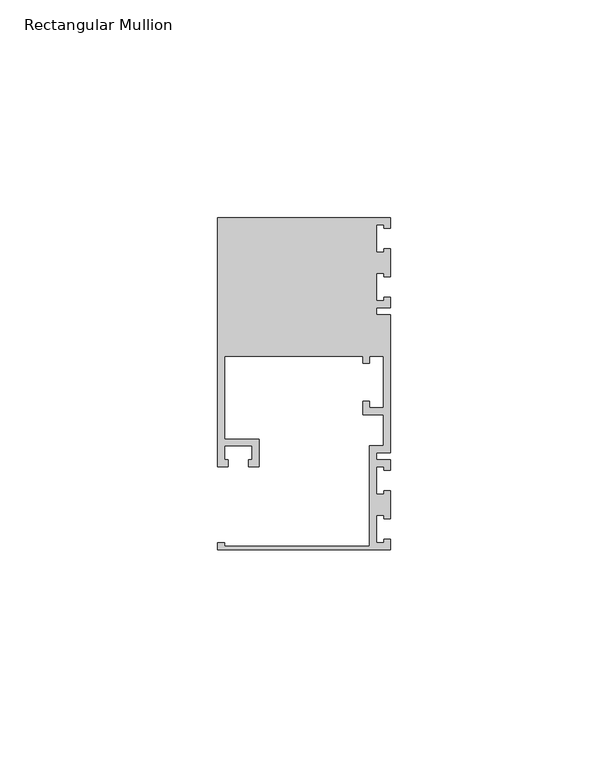
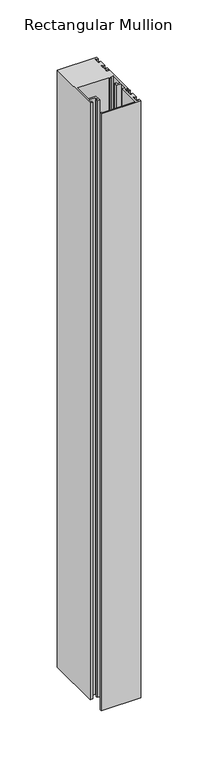
"""IFC4 building model written with IfcOpenShell, lengths in millimetres: member geometry, Rectangular Mullion."""

from ifc_helpers import new_model, si_unit, frame, origin, place, context, project, spatial, polyline, outline, extrude, source, transform, mapped, element, save


def rectangular_mullion_539f9032(model_context):
    return source(origin(), model_context, "Body", "SweptSolid", [
        extrude(outline(polyline([(0.0, -38.1), (-39.6875, -38.1), (-39.6875, -36.5125), (-38.1, -36.5125), (-38.1, -37.30625), (-4.7625, -37.30625), (-4.7625, -14.2875), (-1.5875, -14.2875), (-1.5875, -7.14375), (-6.35, -7.14375), (-6.35, -3.96875), (-4.7625, -3.96875), (-4.7625, -5.55625), (-1.5875, -5.55625), (-1.5875, 6.35), (-4.7625, 6.35), (-4.7625, 4.7625), (-6.35, 4.7625), (-6.35, 6.35), (-38.1, 6.35), (-38.1, -12.7), (-30.1625, -12.7), (-30.1625, -19.05), (-32.54375, -19.05), (-32.54375, -17.4625), (-31.75, -17.4625), (-31.75, -14.2875), (-38.1, -14.2875), (-38.1, -17.4625), (-37.30625, -17.4625), (-37.30625, -19.05), (-39.6875, -19.05), (-39.6875, 38.1), (0.0, 38.1), (0.0, 35.71875), (-1.4999946, 35.71875), (-1.4999946, 36.5125), (-3.175, 36.5125), (-3.175, 30.1625), (-1.4999946, 30.1625), (-1.4999946, 30.95625), (0.0, 30.95625), (0.0, 24.60625), (-1.4999946, 24.60625), (-1.4999946, 25.4), (-3.175, 25.4), (-3.175, 19.05), (-1.4999946, 19.05), (-1.4999946, 19.84375), (0.0, 19.84375), (0.0, 17.4625), (-3.175, 17.4625), (-3.175, 15.875), (0.0, 15.875), (0.0, -15.875), (-3.175, -15.875), (-3.175, -17.4625), (0.0, -17.4625), (0.0, -19.84375), (-1.4999946, -19.84375), (-1.4999946, -19.05), (-3.175, -19.05), (-3.175, -25.4), (-1.4999946, -25.4), (-1.4999946, -24.60625), (0.0, -24.60625), (0.0, -30.95625), (-1.4999946, -30.95625), (-1.4999946, -30.1625), (-3.175, -30.1625), (-3.175, -36.5125), (-1.4999946, -36.5125), (-1.4999946, -35.71875), (0.0, -35.71875), (0.0, -38.1)])), frame((0.0, 0.0, -635.0), z_axis=(0.0, 0.0, 1.0), x_axis=(1.0, 0.0, 0.0)), (0.0, 0.0, 1.0), 635.0),
    ])


if __name__ == "__main__":
    model = new_model("IFC4")
    model_context = context("Model", 3, world=origin())
    ifc_project = project(units=[si_unit("LENGTHUNIT", "METRE", prefix="MILLI")], contexts=[model_context])
    site = spatial("IfcSite", under=ifc_project)
    building = spatial("IfcBuilding", under=site)
    placement = place(None, origin())
    rectangular_mullion_shape = rectangular_mullion_539f9032(model_context)
    element("IfcMember", 1, ObjectType="Rectangular Mullion", at=placement, inside=building, context=model_context, shape_type="MappedRepresentation", body=[
        mapped(rectangular_mullion_shape, transform((0.0, 0.0, 0.0), x_axis=(1.0, 0.0, 0.0), y_axis=(0.0, 1.0, 0.0), z_axis=(0.0, 0.0, 1.0))),
    ])
    save(model, "model.ifc")
